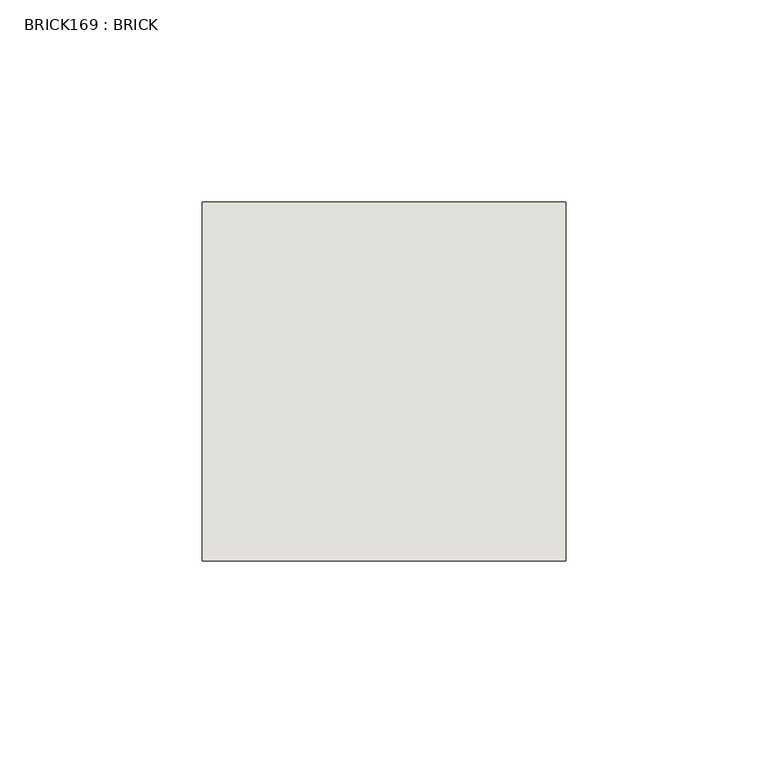
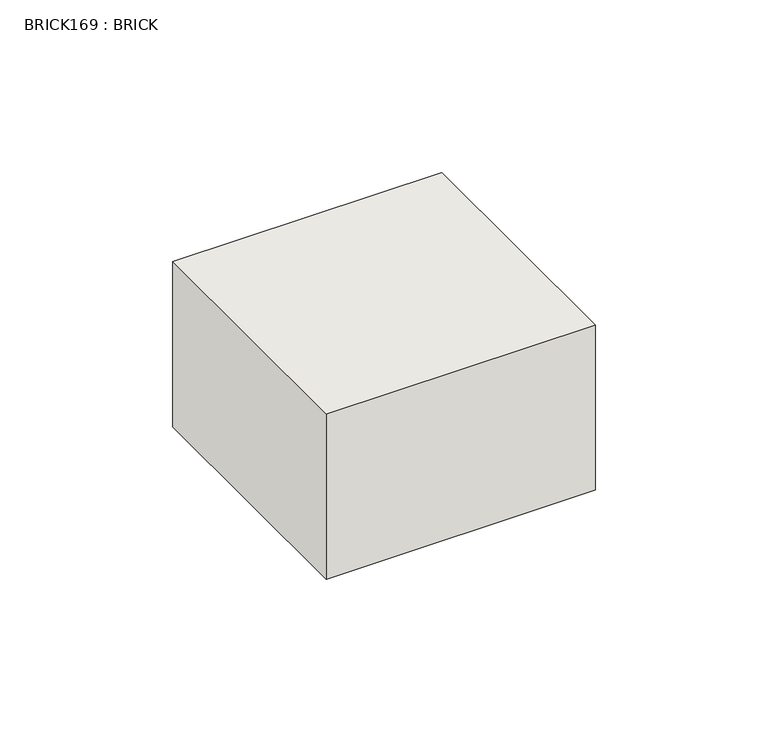
"""IFC4 building model written with IfcOpenShell, lengths in millimetres: wall geometry, BRICK169 : BRICK."""

from ifc_helpers import new_model, si_unit, frame, origin, place, context, project, spatial, polyline, outline, extrude, source, transform, mapped, element, save


def brick169_brick_eb7360f3(model_context):
    return source(origin(), model_context, "Body", "SweptSolid", [
        extrude(outline(polyline([(144.5425643, 3062.3923312), (234.5683761, 3062.3923312), (234.5683761, 2973.4923312), (144.5425643, 2973.4923312), (144.5425643, 3062.3923312)])), frame((0.0, 0.0, 96.2421875), z_axis=(0.0, 0.0, 1.0), x_axis=(1.0, 0.0, 0.0)), (0.0, 0.0, 1.0), 58.4398438),
    ])


if __name__ == "__main__":
    model = new_model("IFC4")
    model_context = context("Model", 3, world=origin())
    ifc_project = project(units=[si_unit("LENGTHUNIT", "METRE", prefix="MILLI")], contexts=[model_context])
    site = spatial("IfcSite", under=ifc_project)
    building = spatial("IfcBuilding", under=site)
    placement = place(None, origin())
    brick169_brick_shape = brick169_brick_eb7360f3(model_context)
    element("IfcWall", 1, ObjectType="BRICK169 : BRICK", at=placement, inside=building, context=model_context, shape_type="MappedRepresentation", body=[
        mapped(brick169_brick_shape, transform((0.0, 0.0, 0.0), x_axis=(1.0, 0.0, 0.0), y_axis=(0.0, 1.0, 0.0), z_axis=(0.0, 0.0, 1.0))),
    ])
    save(model, "model.ifc")
